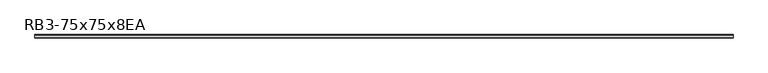
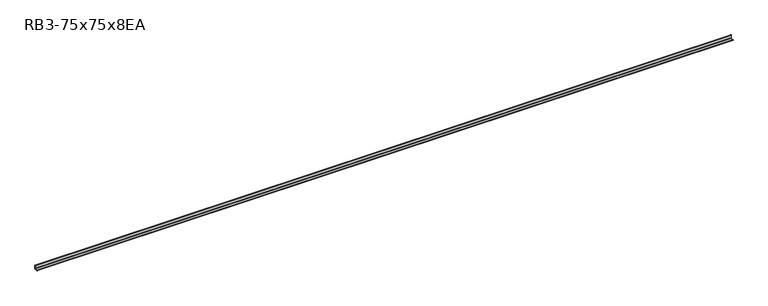
"""IFC4 building model written with IfcOpenShell, lengths in millimetres: member geometry, RB3-75x75x8EA."""

from ifc_helpers import new_model, si_unit, point, frame, frame_2d, origin, place, context, project, spatial, polyline, circle_curve, trimmed, segment, composite_curve, outline, extrude, source, transform, mapped, element, save


def rb3_75x75x8ea_47fdff77(model_context):
    return source(origin(), model_context, "Body", "SweptSolid", [
        extrude(outline(composite_curve([segment(polyline([(21.3, -21.3), (-53.7, -21.3), (-53.7, -18.3)]), True, "CONTINUOUS"), segment(trimmed(circle_curve(frame_2d((-48.7, -18.3)), 5.0), [point((-53.7, -18.3))], [point((-48.7, -13.3))], False, "CARTESIAN"), True, "CONTINUOUS"), segment(polyline([(-48.7, -13.3), (5.3, -13.3)]), True, "CONTINUOUS"), segment(trimmed(circle_curve(frame_2d((5.3, -5.3)), 8.0), [point((5.3, -13.3))], [point((13.3, -5.3))], True, "CARTESIAN"), True, "CONTINUOUS"), segment(polyline([(13.3, -5.3), (13.3, 48.7)]), True, "CONTINUOUS"), segment(trimmed(circle_curve(frame_2d((18.3, 48.7)), 5.0), [point((13.3, 48.7))], [point((18.3, 53.7))], False, "CARTESIAN"), True, "CONTINUOUS"), segment(polyline([(18.3, 53.7), (21.3, 53.7), (21.3, -21.3)]), True, "CONTINUOUS")], self_intersect=False)), frame((-7355.0, 0.0, 0.0), z_axis=(1.0, 0.0, 0.0), x_axis=(0.0, 1.0, 0.0)), (0.0, 0.0, 1.0), 14733.0),
    ])


if __name__ == "__main__":
    model = new_model("IFC4")
    model_context = context("Model", 3, world=origin())
    ifc_project = project(units=[si_unit("LENGTHUNIT", "METRE", prefix="MILLI")], contexts=[model_context])
    site = spatial("IfcSite", under=ifc_project)
    building = spatial("IfcBuilding", under=site)
    placement = place(None, origin())
    rb3_75x75x8ea_shape = rb3_75x75x8ea_47fdff77(model_context)
    element("IfcMember", 1, ObjectType="RB3-75x75x8EA", at=placement, inside=building, context=model_context, shape_type="MappedRepresentation", body=[
        mapped(rb3_75x75x8ea_shape, transform((0.0, 0.0, 0.0), x_axis=(1.0, 0.0, 0.0), y_axis=(0.0, 1.0, 0.0), z_axis=(0.0, 0.0, 1.0))),
    ])
    save(model, "model.ifc")
